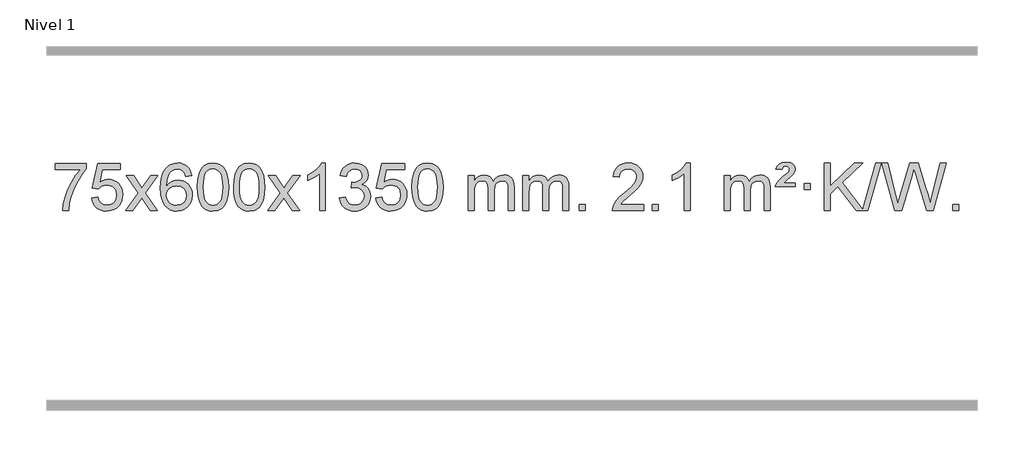
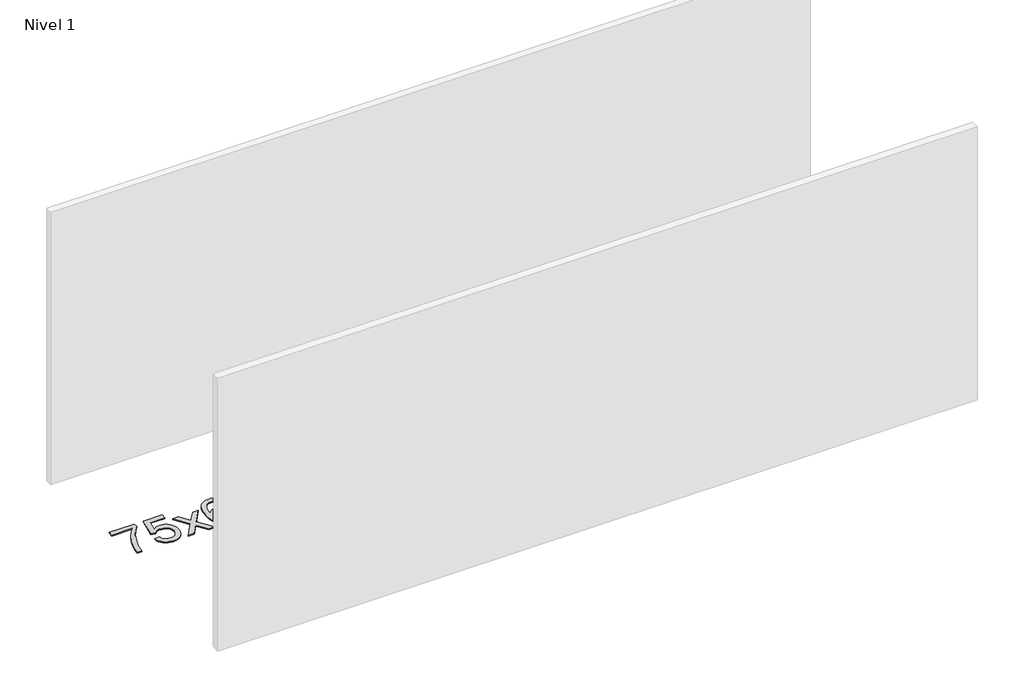
# One storey, part 6 of 9: 1 proxy.
"""IFC4 building model written with IfcOpenShell, lengths in millimetres."""

from ifc_helpers import new_model, si_unit, origin, origin_with_axes, place, context, project, spatial, polyline, outline, extrude, element, save

model = new_model("IFC4")

# Units and contexts
model_context = context("Model", 3, world=origin())
ifc_project = project(units=[si_unit("LENGTHUNIT", "METRE", prefix="MILLI")], contexts=[model_context])

# Site, building, storey
site = spatial("IfcSite", under=ifc_project)
building = spatial("IfcBuilding", under=site)
storey = spatial("IfcBuildingStorey", under=building, Name="Nivel 1", Elevation=0.0)

# Proxy
placement = place(None, origin())
element("IfcBuildingElementProxy", 1, Name="Texto de modelo 1", ObjectType="Texto de modelo 1", at=placement, inside=storey, context=model_context, shape_type="SweptSolid", body=[
    extrude(outline(polyline([(-6456.1697105, -6054.2608869), (-6456.1697105, -6004.0327318), (-6192.4718963, -6004.0327318), (-6192.4718963, -6044.646904), (-6230.0571735, -6092.214046), (-6267.2745687, -6152.7061088), (-6300.1019054, -6220.6048623), (-6324.5170071, -6290.3920768), (-6336.4854347, -6342.6067947), (-6343.1563615, -6399.579453), (-6393.3845166, -6399.579453), (-6387.9521258, -6347.8061935), (-6373.420787, -6286.2717985), (-6350.1829077, -6221.0463207), (-6318.6308952, -6158.1998132), (-6281.7936447, -6101.3865704), (-6242.7000514, -6054.2608869), (-6456.1697105, -6054.2608869)])), origin_with_axes(), (0.0, 0.0, 1.0), 10.0),
    extrude(outline(polyline([(-6148.5222606, -6292.8446235), (-6098.2941056, -6286.5661041), (-6089.0725302, -6316.7201649), (-6072.9838243, -6338.3148381), (-6050.1015642, -6351.3010725), (-6020.4993263, -6355.6298173), (-6001.3694626, -6354.1245668), (-5984.4959417, -6349.6088153), (-5969.8787638, -6342.0825628), (-5957.5179287, -6331.5458094), (-5947.6893481, -6318.519721), (-5940.6689334, -6303.5254641), (-5935.0526016, -6267.6324441), (-5940.3133141, -6233.8363514), (-5946.8892048, -6219.9181493), (-5956.0954517, -6207.9865099), (-5967.9627117, -6198.4154467), (-5982.5216417, -6191.5789729), (-6019.7145114, -6186.1097939), (-6044.0805622, -6188.2925604), (-6063.8112999, -6194.8408599), (-6079.568912, -6204.8717757), (-6092.0155862, -6217.5023908), (-6142.2437412, -6211.2238715), (-6098.2941056, -6004.0327318), (-5903.6600046, -6004.0327318), (-5903.6600046, -6054.2608869), (-6057.6799333, -6054.2608869), (-6079.2623437, -6164.919791), (-6061.5365629, -6152.2155994), (-6043.3815864, -6143.1411769), (-6024.7974143, -6137.6965234), (-6005.7840465, -6135.8816388), (-5981.3198938, -6138.1318504), (-5958.8423039, -6144.882485), (-5938.3512768, -6156.1335427), (-5919.8468124, -6171.8850234), (-5904.5245273, -6191.1743027), (-5893.580038, -6213.038756), (-5887.0133444, -6237.4783832), (-5884.8244465, -6264.4931844), (-5886.7926152, -6290.5147042), (-5892.6971212, -6314.7213394), (-5902.5379646, -6337.1130902), (-5916.3151453, -6357.6899565), (-5937.1863171, -6378.7634634), (-5961.5401052, -6393.8159684), (-5989.3765095, -6402.8474714), (-6020.69553, -6405.8579724), (-6046.6158823, -6403.9235262), (-6070.0285056, -6398.1201877), (-6090.9334, -6388.447957), (-6109.3305654, -6374.9068338), (-6124.6375221, -6358.1712688), (-6136.2717902, -6338.915712), (-6144.2333697, -6317.1401636), (-6148.5222606, -6292.8446235)])), origin_with_axes(), (0.0, 0.0, 1.0), 10.0),
    extrude(outline(polyline([(-5859.7103689, -6399.579453), (-5752.3869282, -6251.1513307), (-5853.4318496, -6104.4890419), (-5793.1973042, -6104.4890419), (-5744.4406771, -6175.2204869), (-5721.5829425, -6208.4770192), (-5701.7663657, -6181.2047007), (-5646.2407099, -6104.4890419), (-5585.8099608, -6104.4890419), (-5691.9561791, -6251.2494325), (-5589.7340354, -6399.579453), (-5650.0666826, -6399.579453), (-5711.6746541, -6310.3067555), (-5722.8582667, -6293.923744), (-5799.2796199, -6399.579453), (-5859.7103689, -6399.579453)])), origin_with_axes(), (0.0, 0.0, 1.0), 10.0),
    extrude(outline(polyline([(-5300.9221437, -6104.4890419), (-5351.1502988, -6110.7675613), (-5359.2437027, -6085.874213), (-5370.1820607, -6068.8780648), (-5392.9662189, -6053.2062918), (-5420.5083176, -6047.9823675), (-5443.8565616, -6051.0235253), (-5465.8313794, -6060.1469988), (-5484.7037258, -6079.3627017), (-5500.1179814, -6105.8134171), (-5510.5290419, -6143.227016), (-5514.3918028, -6195.3313693), (-5494.2441322, -6171.8237098), (-5470.0988106, -6155.2567573), (-5443.3047386, -6145.434308), (-5415.2108169, -6142.1601582), (-5391.077758, -6144.398107), (-5368.8086346, -6151.1119534), (-5348.4034466, -6162.3016975), (-5329.862194, -6177.9673391), (-5314.4540698, -6197.1769106), (-5303.4482668, -6218.9984443), (-5296.844785, -6243.4319401), (-5294.6436244, -6270.4773982), (-5298.7884282, -6306.4439945), (-5311.2228396, -6339.786366), (-5330.9167891, -6368.0642287), (-5356.840207, -6388.8372987), (-5387.815871, -6401.602804), (-5422.6665587, -6405.8579724), (-5452.6090874, -6403.0375437), (-5479.6514797, -6394.5762579), (-5503.7937357, -6380.4741147), (-5525.0358552, -6360.7311143), (-5542.3539001, -6334.5133908), (-5554.7239322, -6300.9870783), (-5562.1459515, -6260.1521768), (-5564.6199579, -6212.0086864), (-5561.8731057, -6158.0342663), (-5553.632549, -6111.9693092), (-5539.8982878, -6073.8138149), (-5520.6703222, -6043.5677835), (-5499.8298072, -6023.5243462), (-5475.6660915, -6009.2076052), (-5448.179175, -6000.6175606), (-5417.3690579, -5997.7542124), (-5394.2354118, -5999.5261773), (-5373.2967949, -6004.8420722), (-5354.5532073, -6013.7018969), (-5338.0046489, -6026.1056515), (-5324.0987094, -6041.6364031), (-5313.2829788, -6059.8772186), (-5305.5574569, -6080.8280983), (-5300.9221437, -6104.4890419)]), holes=[polyline([(-5514.3918028, -6269.6925832), (-5511.485535, -6291.9494439), (-5502.7667318, -6313.2007605), (-5489.2286743, -6331.472233), (-5471.8646442, -6344.7895612), (-5450.9076332, -6352.9197533), (-5426.5906333, -6355.6298173), (-5393.4444655, -6350.0134855), (-5379.5293291, -6342.9930708), (-5367.3861575, -6333.1644901), (-5357.5361171, -6320.9262824), (-5350.500374, -6306.6769865), (-5344.8717794, -6272.1451299), (-5350.4267976, -6238.9989621), (-5357.3705702, -6225.3781312), (-5367.0918519, -6213.725469), (-5379.2718117, -6204.3904634), (-5393.5916183, -6197.7226022), (-5428.6507725, -6192.3883133), (-5461.7478893, -6197.7226022), (-5489.4248781, -6213.725469), (-5500.3479076, -6225.2248471), (-5508.1500716, -6238.3858254), (-5512.83137, -6253.2084042), (-5514.3918028, -6269.6925832)])]), origin_with_axes(), (0.0, 0.0, 1.0), 10.0),
    extrude(outline(polyline([(-5250.6939887, -6201.9041943), (-5247.002906, -6137.5861588), (-5235.9296579, -6086.2911459), (-5217.5846091, -6047.2343407), (-5205.7265461, -6032.0009605), (-5192.0781241, -6019.6309284), (-5176.5933578, -6010.0598651), (-5159.2262619, -6003.2233914), (-5118.8450816, -5997.7542124), (-5087.8939431, -6000.991574), (-5060.1801661, -6010.7036586), (-5037.0036004, -6026.5103217), (-5019.6640957, -6048.0314184), (-5006.5674967, -6075.0830078), (-4996.119648, -6107.4811488), (-4989.2770429, -6148.6226186), (-4986.9961745, -6201.9041943), (-4990.650469, -6265.8543477), (-5001.6133525, -6317.0267333), (-5019.8480367, -6356.1203266), (-5031.6785085, -6371.3996922), (-5045.3177335, -6383.8341036), (-5060.8208939, -6393.4695462), (-5078.2431721, -6400.3520052), (-5118.8450816, -6405.8579724), (-5146.5098076, -6403.4667394), (-5171.035274, -6396.2930405), (-5192.4214806, -6384.3368757), (-5210.6684276, -6367.5982449), (-5228.1796106, -6337.3399508), (-5240.6875984, -6299.6381776), (-5248.1923911, -6254.4929255), (-5250.6939887, -6201.9041943)]), holes=[polyline([(-5200.4658336, -6201.8060924), (-5198.9943056, -6245.4706195), (-5194.5797217, -6280.8148822), (-5187.2220818, -6307.8388804), (-5176.9213859, -6326.5426142), (-5164.462449, -6339.2682656), (-5150.630086, -6348.3580165), (-5135.4242968, -6353.8118671), (-5118.8450816, -6355.6298173), (-5102.2658663, -6353.8057357), (-5087.0600772, -6348.3334911), (-5073.2277142, -6339.2130833), (-5060.7687773, -6326.4445124), (-5050.4680814, -6307.7101217), (-5043.1104415, -6280.6922549), (-5038.6958576, -6245.3909118), (-5037.2243296, -6201.8060924), (-5038.6468066, -6159.2973278), (-5042.9142378, -6124.5753989), (-5050.026623, -6097.6403055), (-5059.9839624, -6078.4920476), (-5072.2344328, -6065.1440625), (-5086.2262114, -6055.6097875), (-5101.959298, -6049.8892225), (-5119.4336928, -6047.9823675), (-5135.9270689, -6049.6623619), (-5150.8753406, -6054.7023452), (-5164.278508, -6063.1023175), (-5176.136571, -6074.8622786), (-5186.7806234, -6095.708925), (-5194.3835179, -6123.8151094), (-5198.9452547, -6159.1808319), (-5200.4658336, -6201.8060924)])]), origin_with_axes(), (0.0, 0.0, 1.0), 10.0),
    extrude(outline(polyline([(-4943.0465388, -6201.9041943), (-4939.3554561, -6137.5861588), (-4928.2822081, -6086.2911459), (-4909.9371593, -6047.2343407), (-4898.0790963, -6032.0009605), (-4884.4306743, -6019.6309284), (-4868.945908, -6010.0598651), (-4851.5788121, -6003.2233914), (-4811.1976318, -5997.7542124), (-4780.2464932, -6000.991574), (-4752.5327163, -6010.7036586), (-4729.3561506, -6026.5103217), (-4712.0166459, -6048.0314184), (-4698.9200468, -6075.0830078), (-4688.4721982, -6107.4811488), (-4681.6295931, -6148.6226186), (-4679.3487247, -6201.9041943), (-4683.0030192, -6265.8543477), (-4693.9659026, -6317.0267333), (-4712.2005869, -6356.1203266), (-4724.0310587, -6371.3996922), (-4737.6702837, -6383.8341036), (-4753.1734441, -6393.4695462), (-4770.5957222, -6400.3520052), (-4811.1976318, -6405.8579724), (-4838.8623578, -6403.4667394), (-4863.3878241, -6396.2930405), (-4884.7740308, -6384.3368757), (-4903.0209778, -6367.5982449), (-4920.5321607, -6337.3399508), (-4933.0401486, -6299.6381776), (-4940.5449413, -6254.4929255), (-4943.0465388, -6201.9041943)]), holes=[polyline([(-4892.8183838, -6201.8060924), (-4891.3468558, -6245.4706195), (-4886.9322718, -6280.8148822), (-4879.5746319, -6307.8388804), (-4869.2739361, -6326.5426142), (-4856.8149992, -6339.2682656), (-4842.9826361, -6348.3580165), (-4827.776847, -6353.8118671), (-4811.1976318, -6355.6298173), (-4794.6184165, -6353.8057357), (-4779.4126274, -6348.3334911), (-4765.5802644, -6339.2130833), (-4753.1213275, -6326.4445124), (-4742.8206316, -6307.7101217), (-4735.4629917, -6280.6922549), (-4731.0484077, -6245.3909118), (-4729.5768798, -6201.8060924), (-4730.9993568, -6159.2973278), (-4735.266788, -6124.5753989), (-4742.3791732, -6097.6403055), (-4752.3365125, -6078.4920476), (-4764.586983, -6065.1440625), (-4778.5787615, -6055.6097875), (-4794.3118482, -6049.8892225), (-4811.786243, -6047.9823675), (-4828.2796191, -6049.6623619), (-4843.2278908, -6054.7023452), (-4856.6310582, -6063.1023175), (-4868.4891211, -6074.8622786), (-4879.1331735, -6095.708925), (-4886.7360681, -6123.8151094), (-4891.2978048, -6159.1808319), (-4892.8183838, -6201.8060924)])]), origin_with_axes(), (0.0, 0.0, 1.0), 10.0),
    extrude(outline(polyline([(-4654.2346472, -6399.579453), (-4546.9112064, -6251.1513307), (-4647.9561278, -6104.4890419), (-4587.7215824, -6104.4890419), (-4538.9649553, -6175.2204869), (-4516.1072207, -6208.4770192), (-4496.2906439, -6181.2047007), (-4440.7649881, -6104.4890419), (-4380.334239, -6104.4890419), (-4486.4804574, -6251.2494325), (-4384.2583136, -6399.579453), (-4444.5909608, -6399.579453), (-4506.1989323, -6310.3067555), (-4517.3825449, -6293.923744), (-4593.8038981, -6399.579453), (-4654.2346472, -6399.579453)])), origin_with_axes(), (0.0, 0.0, 1.0), 10.0),
    extrude(outline(polyline([(-4164.5101352, -6399.579453), (-4214.7382902, -6399.579453), (-4214.7382902, -6086.4382987), (-4235.707564, -6103.3976587), (-4262.317695, -6120.3324932), (-4315.1946004, -6145.6918254), (-4315.1946004, -6098.2105225), (-4275.7453878, -6076.7507395), (-4241.5691504, -6051.219729), (-4214.6279257, -6024.0700378), (-4196.8837508, -5997.7542124), (-4164.5101352, -5997.7542124), (-4164.5101352, -6399.579453)])), origin_with_axes(), (0.0, 0.0, 1.0), 10.0),
    extrude(outline(polyline([(-4045.2182669, -6292.8446235), (-3994.9901118, -6286.5661041), (-3983.7451855, -6318.1303793), (-3967.2763348, -6339.4430095), (-3944.7742195, -6351.5831154), (-3915.429499, -6355.6298173), (-3880.9957442, -6350.0625364), (-3866.7219228, -6343.1034354), (-3854.4101387, -6333.3606939), (-3837.4139905, -6308.4428201), (-3831.7486078, -6278.2274455), (-3837.3649396, -6249.5449126), (-3854.213935, -6226.2825078), (-3879.72042, -6210.8682522), (-3911.3092206, -6205.730167), (-3946.5277903, -6211.2238715), (-3940.935984, -6160.9957164), (-3932.891631, -6161.5843276), (-3902.7988838, -6157.979084), (-3875.8944472, -6147.1633534), (-3864.8211992, -6138.9841103), (-3856.9117363, -6128.8673555), (-3852.1660585, -6116.8130888), (-3850.584166, -6102.8213102), (-3855.1704282, -6081.1285352), (-3868.9292148, -6063.5315131), (-3889.923014, -6051.8696539), (-3916.2143139, -6047.9823675), (-3942.5546648, -6051.9064421), (-3964.0880242, -6063.6786659), (-3979.8088481, -6083.299039), (-3988.7115924, -6110.7675613), (-4038.9397475, -6104.4890419), (-4032.9861905, -6080.5092672), (-4024.1508913, -6059.3867093), (-4012.4338497, -6041.1213683), (-3997.8350659, -6025.713244), (-3980.8143922, -6013.4811677), (-3961.8316813, -6004.7439703), (-3940.886933, -5999.5016519), (-3917.9801475, -5997.7542124), (-3886.4036096, -6001.2000404), (-3857.4022456, -6011.5375245), (-3832.9503557, -6027.8469596), (-3815.0222398, -6049.2086408), (-3804.0225681, -6073.8199463), (-3800.3560109, -6099.8782543), (-3803.8386271, -6124.1584659), (-3814.2864758, -6146.1823347), (-3831.5524041, -6164.9443165), (-3855.4892592, -6179.4388671), (-3824.0476114, -6192.1430586), (-3800.7484183, -6213.77452), (-3786.3274441, -6243.1560286), (-3781.5204527, -6279.1103623), (-3783.9239484, -6304.5923218), (-3791.1344355, -6328.0631931), (-3803.151914, -6349.5229762), (-3819.976384, -6368.971671), (-3840.4735425, -6385.1094278), (-3863.5090867, -6396.636397), (-3889.0830168, -6403.5525785), (-3917.1953326, -6405.8579724), (-3942.6037157, -6403.8898037), (-3965.7557559, -6397.9852977), (-3986.6514532, -6388.1444543), (-4005.2908077, -6374.3672736), (-4020.9196611, -6357.4630959), (-4032.7838554, -6338.2412617), (-4040.8833907, -6316.7017708), (-4045.2182669, -6292.8446235)])), origin_with_axes(), (0.0, 0.0, 1.0), 10.0),
    extrude(outline(polyline([(-3737.570817, -6292.8446235), (-3687.342662, -6286.5661041), (-3678.1210866, -6316.7201649), (-3662.0323807, -6338.3148381), (-3639.1501206, -6351.3010725), (-3609.5478827, -6355.6298173), (-3590.418019, -6354.1245668), (-3573.5444981, -6349.6088153), (-3558.9273202, -6342.0825628), (-3546.5664851, -6331.5458094), (-3536.7379045, -6318.519721), (-3529.7174898, -6303.5254641), (-3524.101158, -6267.6324441), (-3529.3618705, -6233.8363514), (-3535.9377612, -6219.9181493), (-3545.1440081, -6207.9865099), (-3557.0112681, -6198.4154467), (-3571.5701981, -6191.5789729), (-3608.7630678, -6186.1097939), (-3633.1291186, -6188.2925604), (-3652.8598563, -6194.8408599), (-3668.6174684, -6204.8717757), (-3681.0641426, -6217.5023908), (-3731.2922977, -6211.2238715), (-3687.342662, -6004.0327318), (-3492.708561, -6004.0327318), (-3492.708561, -6054.2608869), (-3646.7284897, -6054.2608869), (-3668.3109001, -6164.919791), (-3650.5851193, -6152.2155994), (-3632.4301428, -6143.1411769), (-3613.8459707, -6137.6965234), (-3594.8326029, -6135.8816388), (-3570.3684502, -6138.1318504), (-3547.8908603, -6144.882485), (-3527.3998332, -6156.1335427), (-3508.8953688, -6171.8850234), (-3493.5730837, -6191.1743027), (-3482.6285944, -6213.038756), (-3476.0619008, -6237.4783832), (-3473.8730029, -6264.4931844), (-3475.8411716, -6290.5147042), (-3481.7456776, -6314.7213394), (-3491.586521, -6337.1130902), (-3505.3637017, -6357.6899565), (-3526.2348735, -6378.7634634), (-3550.5886616, -6393.8159684), (-3578.4250659, -6402.8474714), (-3609.7440864, -6405.8579724), (-3635.6644387, -6403.9235262), (-3659.077062, -6398.1201877), (-3679.9819564, -6388.447957), (-3698.3791218, -6374.9068338), (-3713.6860785, -6358.1712688), (-3725.3203466, -6338.915712), (-3733.2819261, -6317.1401636), (-3737.570817, -6292.8446235)])), origin_with_axes(), (0.0, 0.0, 1.0), 10.0),
    extrude(outline(polyline([(-3429.9233672, -6201.9041943), (-3426.2322845, -6137.5861588), (-3415.1590365, -6086.2911459), (-3396.8139876, -6047.2343407), (-3384.9559247, -6032.0009605), (-3371.3075026, -6019.6309284), (-3355.8227363, -6010.0598651), (-3338.4556405, -6003.2233914), (-3298.0744601, -5997.7542124), (-3267.1233216, -6000.991574), (-3239.4095446, -6010.7036586), (-3216.2329789, -6026.5103217), (-3198.8934742, -6048.0314184), (-3185.7968752, -6075.0830078), (-3175.3490265, -6107.4811488), (-3168.5064214, -6148.6226186), (-3166.2255531, -6201.9041943), (-3169.8798475, -6265.8543477), (-3180.842731, -6317.0267333), (-3199.0774152, -6356.1203266), (-3210.9078871, -6371.3996922), (-3224.547112, -6383.8341036), (-3240.0502724, -6393.4695462), (-3257.4725506, -6400.3520052), (-3298.0744601, -6405.8579724), (-3325.7391862, -6403.4667394), (-3350.2646525, -6396.2930405), (-3371.6508592, -6384.3368757), (-3389.8978061, -6367.5982449), (-3407.4089891, -6337.3399508), (-3419.9169769, -6299.6381776), (-3427.4217696, -6254.4929255), (-3429.9233672, -6201.9041943)]), holes=[polyline([(-3379.6952121, -6201.8060924), (-3378.2236842, -6245.4706195), (-3373.8091002, -6280.8148822), (-3366.4514603, -6307.8388804), (-3356.1507644, -6326.5426142), (-3343.6918275, -6339.2682656), (-3329.8594645, -6348.3580165), (-3314.6536754, -6353.8118671), (-3298.0744601, -6355.6298173), (-3281.4952449, -6353.8057357), (-3266.2894558, -6348.3334911), (-3252.4570927, -6339.2130833), (-3239.9981558, -6326.4445124), (-3229.69746, -6307.7101217), (-3222.3398201, -6280.6922549), (-3217.9252361, -6245.3909118), (-3216.4537081, -6201.8060924), (-3217.8761852, -6159.2973278), (-3222.1436163, -6124.5753989), (-3229.2560016, -6097.6403055), (-3239.2133409, -6078.4920476), (-3251.4638113, -6065.1440625), (-3265.4555899, -6055.6097875), (-3281.1886766, -6049.8892225), (-3298.6630713, -6047.9823675), (-3315.1564474, -6049.6623619), (-3330.1047192, -6054.7023452), (-3343.5078865, -6063.1023175), (-3355.3659495, -6074.8622786), (-3366.0100019, -6095.708925), (-3373.6128965, -6123.8151094), (-3378.1746332, -6159.1808319), (-3379.6952121, -6201.8060924)])]), origin_with_axes(), (0.0, 0.0, 1.0), 10.0),
    extrude(outline(polyline([(-2952.755894, -6399.579453), (-2952.755894, -6104.4890419), (-2902.5277389, -6104.4890419), (-2902.5277389, -6153.0494653), (-2887.4200517, -6130.7435537), (-2867.9958823, -6113.2691589), (-2844.9174185, -6101.9751816), (-2818.8468478, -6098.2105225), (-2790.9123416, -6102.048758), (-2768.5205908, -6113.5634645), (-2751.7942228, -6131.9943524), (-2740.8558648, -6156.5811324), (-2722.5476041, -6131.0439906), (-2701.6641696, -6112.803175), (-2678.205561, -6101.8586857), (-2652.1717785, -6098.2105225), (-2632.0639617, -6099.7280358), (-2614.414823, -6104.2805755), (-2599.2243623, -6111.8681416), (-2586.4925796, -6122.4907342), (-2576.4279413, -6136.2709806), (-2569.238914, -6153.3315082), (-2564.9254976, -6173.6723168), (-2563.4876922, -6197.2934066), (-2563.4876922, -6399.579453), (-2613.7158472, -6399.579453), (-2613.7158472, -6218.875817), (-2614.8808069, -6193.8230531), (-2618.3756858, -6176.9372695), (-2624.9239854, -6165.3735121), (-2635.2492067, -6156.2868268), (-2648.5297467, -6150.4007149), (-2663.9440023, -6148.4386776), (-2691.1550072, -6153.4663982), (-2713.3382915, -6168.54956), (-2721.9436645, -6180.1194488), (-2728.0903595, -6194.7182326), (-2733.0077155, -6233.0024856), (-2733.0077155, -6399.579453), (-2783.2358706, -6399.579453), (-2783.2358706, -6213.2840106), (-2786.1421384, -6184.8835206), (-2794.8609417, -6164.6254854), (-2810.2016209, -6152.4853796), (-2832.9735164, -6148.4386776), (-2852.3241093, -6151.1364789), (-2870.1541233, -6159.2298828), (-2884.8694032, -6172.5226856), (-2894.8757934, -6190.8186835), (-2900.6147525, -6216.2025411), (-2902.5277389, -6250.7589232), (-2902.5277389, -6399.579453), (-2952.755894, -6399.579453)])), origin_with_axes(), (0.0, 0.0, 1.0), 10.0),
    extrude(outline(polyline([(-2488.1454596, -6399.579453), (-2488.1454596, -6104.4890419), (-2437.9173045, -6104.4890419), (-2437.9173045, -6153.0494653), (-2422.8096172, -6130.7435537), (-2403.3854479, -6113.2691589), (-2380.306984, -6101.9751816), (-2354.2364133, -6098.2105225), (-2326.3019071, -6102.048758), (-2303.9101564, -6113.5634645), (-2287.1837883, -6131.9943524), (-2276.2454303, -6156.5811324), (-2257.9371697, -6131.0439906), (-2237.0537351, -6112.803175), (-2213.5951266, -6101.8586857), (-2187.561344, -6098.2105225), (-2167.4535273, -6099.7280358), (-2149.8043886, -6104.2805755), (-2134.6139279, -6111.8681416), (-2121.8821452, -6122.4907342), (-2111.8175069, -6136.2709806), (-2104.6284796, -6153.3315082), (-2100.3150632, -6173.6723168), (-2098.8772577, -6197.2934066), (-2098.8772577, -6399.579453), (-2149.1054128, -6399.579453), (-2149.1054128, -6218.875817), (-2150.2703724, -6193.8230531), (-2153.7652514, -6176.9372695), (-2160.3135509, -6165.3735121), (-2170.6387722, -6156.2868268), (-2183.9193123, -6150.4007149), (-2199.3335679, -6148.4386776), (-2226.5445728, -6153.4663982), (-2248.7278571, -6168.54956), (-2257.3332301, -6180.1194488), (-2263.4799251, -6194.7182326), (-2268.3972811, -6233.0024856), (-2268.3972811, -6399.579453), (-2318.6254362, -6399.579453), (-2318.6254362, -6213.2840106), (-2321.5317039, -6184.8835206), (-2330.2505072, -6164.6254854), (-2345.5911864, -6152.4853796), (-2368.3630819, -6148.4386776), (-2387.7136749, -6151.1364789), (-2405.5436889, -6159.2298828), (-2420.2589687, -6172.5226856), (-2430.265359, -6190.8186835), (-2436.0043181, -6216.2025411), (-2437.9173045, -6250.7589232), (-2437.9173045, -6399.579453), (-2488.1454596, -6399.579453)])), origin_with_axes(), (0.0, 0.0, 1.0), 10.0),
    extrude(outline(polyline([(-2010.9779863, -6399.579453), (-2010.9779863, -6349.3512979), (-1960.7498313, -6349.3512979), (-1960.7498313, -6399.579453), (-2010.9779863, -6399.579453)])), origin_with_axes(), (0.0, 0.0, 1.0), 10.0),
    extrude(outline(polyline([(-1464.7467999, -6349.3512979), (-1464.7467999, -6399.579453), (-1728.444614, -6399.579453), (-1727.3409681, -6381.8965918), (-1723.0490115, -6364.9494945), (-1710.6513882, -6337.8856424), (-1692.4902804, -6311.6311307), (-1666.2357687, -6284.1503456), (-1629.5579337, -6253.4076736), (-1575.3689159, -6205.2641831), (-1542.8849357, -6169.7267824), (-1526.6613397, -6140.884834), (-1521.2534744, -6112.8277005), (-1526.3670341, -6087.6768347), (-1541.7077133, -6066.7688747), (-1565.2889492, -6052.6789943), (-1595.124179, -6047.9823675), (-1626.4554623, -6052.5686297), (-1650.7969876, -6066.3274163), (-1666.5055488, -6088.1796068), (-1671.9379396, -6117.0460807), (-1722.1660947, -6110.7675613), (-1717.8465469, -6084.838012), (-1709.9892006, -6062.1826125), (-1698.5940558, -6042.8013627), (-1683.6611125, -6026.6942627), (-1665.5337272, -6014.0329907), (-1644.5552564, -6004.989225), (-1620.7257002, -5999.5629655), (-1594.0450585, -5997.7542124), (-1567.1252935, -5999.7653006), (-1543.1669785, -6005.7985654), (-1522.1701137, -6015.8540066), (-1504.1346989, -6029.9316242), (-1489.6493453, -6046.9890861), (-1479.3026642, -6065.9840598), (-1473.0946555, -6086.9165453), (-1471.0253193, -6109.7865427), (-1473.2571367, -6133.8092369), (-1479.952589, -6157.4149983), (-1491.8351775, -6181.4254299), (-1509.6284033, -6206.6621347), (-1537.9921051, -6236.7916701), (-1581.5861216, -6275.4805933), (-1639.3681203, -6323.795762), (-1662.0296512, -6349.3512979), (-1464.7467999, -6349.3512979)])), origin_with_axes(), (0.0, 0.0, 1.0), 10.0),
    extrude(outline(polyline([(-1389.4045673, -6399.579453), (-1389.4045673, -6349.3512979), (-1339.1764122, -6349.3512979), (-1339.1764122, -6399.579453), (-1389.4045673, -6399.579453)])), origin_with_axes(), (0.0, 0.0, 1.0), 10.0),
    extrude(outline(polyline([(-1069.2000787, -6399.579453), (-1119.4282338, -6399.579453), (-1119.4282338, -6086.4382987), (-1140.3975075, -6103.3976587), (-1167.0076385, -6120.3324932), (-1219.8845439, -6145.6918254), (-1219.8845439, -6098.2105225), (-1180.4353313, -6076.7507395), (-1146.2590939, -6051.219729), (-1119.3178692, -6024.0700378), (-1101.5736943, -5997.7542124), (-1069.2000787, -5997.7542124), (-1069.2000787, -6399.579453)])), origin_with_axes(), (0.0, 0.0, 1.0), 10.0),
    extrude(outline(polyline([(-780.388187, -6399.579453), (-780.388187, -6104.4890419), (-730.1600319, -6104.4890419), (-730.1600319, -6153.0494653), (-715.0523447, -6130.7435537), (-695.6281753, -6113.2691589), (-672.5497115, -6101.9751816), (-646.4791408, -6098.2105225), (-618.5446346, -6102.048758), (-596.1528838, -6113.5634645), (-579.4265158, -6131.9943524), (-568.4881578, -6156.5811324), (-550.1798972, -6131.0439906), (-529.2964626, -6112.803175), (-505.837854, -6101.8586857), (-479.8040715, -6098.2105225), (-459.6962548, -6099.7280358), (-442.047116, -6104.2805755), (-426.8566553, -6111.8681416), (-414.1248726, -6122.4907342), (-404.0602344, -6136.2709806), (-396.871207, -6153.3315082), (-392.5577906, -6173.6723168), (-391.1199852, -6197.2934066), (-391.1199852, -6399.579453), (-441.3481403, -6399.579453), (-441.3481403, -6218.875817), (-442.5130999, -6193.8230531), (-446.0079789, -6176.9372695), (-452.5562784, -6165.3735121), (-462.8814997, -6156.2868268), (-476.1620397, -6150.4007149), (-491.5762953, -6148.4386776), (-518.7873002, -6153.4663982), (-540.9705845, -6168.54956), (-549.5759576, -6180.1194488), (-555.7226526, -6194.7182326), (-560.6400086, -6233.0024856), (-560.6400086, -6399.579453), (-610.8681636, -6399.579453), (-610.8681636, -6213.2840106), (-613.7744314, -6184.8835206), (-622.4932347, -6164.6254854), (-637.8339139, -6152.4853796), (-660.6058094, -6148.4386776), (-679.9564023, -6151.1364789), (-697.7864164, -6159.2298828), (-712.5016962, -6172.5226856), (-722.5080864, -6190.8186835), (-728.2470456, -6216.2025411), (-730.1600319, -6250.7589232), (-730.1600319, -6399.579453), (-780.388187, -6399.579453)])), origin_with_axes(), (0.0, 0.0, 1.0), 10.0),
    extrude(outline(polyline([(-347.1703495, -6198.6668327), (-343.3443767, -6182.8479069), (-335.0057182, -6166.9799302), (-313.4968842, -6141.8413272), (-281.5402016, -6114.1030247), (-237.3943621, -6076.726214), (-230.2574514, -6065.1992448), (-227.8784812, -6053.3779701), (-229.7669421, -6041.2869152), (-235.4323248, -6031.5012541), (-244.801053, -6025.026531), (-257.7995501, -6022.8682899), (-270.2339616, -6024.4869707), (-279.0876549, -6029.343013), (-285.5133271, -6038.8098431), (-290.663675, -6054.2608869), (-340.8918301, -6047.9823675), (-330.051574, -6022.7701881), (-313.4233078, -6005.2099542), (-289.6581309, -5994.9092583), (-257.4071427, -5991.475693), (-221.6244873, -5995.6082341), (-196.8782917, -6008.0058573), (-182.4573175, -6026.3386434), (-177.6503261, -6048.2766731), (-181.746079, -6071.1834586), (-194.0333376, -6092.8149199), (-214.561153, -6112.6314968), (-251.0305214, -6140.6886303), (-276.6351083, -6167.2742358), (-177.6503261, -6167.2742358), (-177.6503261, -6198.6668327), (-347.1703495, -6198.6668327)])), origin_with_axes(), (0.0, 0.0, 1.0), 10.0),
    extrude(outline(polyline([(-102.3080935, -6223.7809102), (-102.3080935, -6173.5527552), (-52.0799384, -6173.5527552), (-52.0799384, -6223.7809102), (-102.3080935, -6223.7809102)])), origin_with_axes(), (0.0, 0.0, 1.0), 10.0),
    extrude(outline(polyline([(338.5616895, -6399.579453), (185.0322702, -6196.9009991), (117.440085, -6261.4520265), (117.440085, -6399.579453), (67.2119299, -6399.579453), (67.2119299, -5997.7542124), (117.440085, -5997.7542124), (117.440085, -6194.4484525), (323.4540023, -5997.7542124), (393.6949379, -5997.7542124), (220.6432473, -6162.9577537), (395.3942808, -6393.5373449), (506.7082868, -5997.7542124), (552.2275523, -5997.7542124), (439.1161015, -6399.579453), (399.9734572, -6399.579453), (393.6949379, -6399.579453), (338.5616895, -6399.579453)])), origin_with_axes(), (0.0, 0.0, 1.0), 10.0),
    extrude(outline(polyline([(666.5162255, -6399.579453), (556.9364419, -5997.7542124), (608.7342268, -5997.7542124), (672.3042355, -6261.844434), (691.9246086, -6343.3670841), (712.9184078, -6271.2622131), (792.5771225, -5997.7542124), (867.2326421, -5997.7542124), (925.1127426, -6196.0180823), (949.9079891, -6269.5944814), (968.1794615, -6343.3670841), (987.2112234, -6264.1988788), (1051.2717415, -5997.7542124), (1103.1676283, -5997.7542124), (993.6859465, -6399.579453), (939.9261243, -6399.579453), (843.4919906, -6089.5775584), (830.0520351, -6046.3146358), (814.9443478, -6098.4067263), (727.1431783, -6399.579453), (666.5162255, -6399.579453)])), origin_with_axes(), (0.0, 0.0, 1.0), 10.0),
    extrude(outline(polyline([(1159.6743028, -6399.579453), (1159.6743028, -6349.3512979), (1209.9024578, -6349.3512979), (1209.9024578, -6399.579453), (1159.6743028, -6399.579453)])), origin_with_axes(), (0.0, 0.0, 1.0), 10.0),
])

save(model, "model.ifc")
